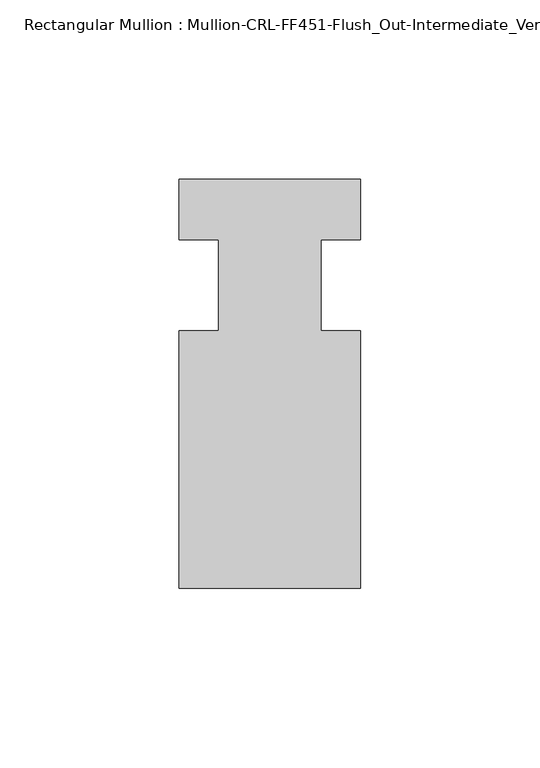
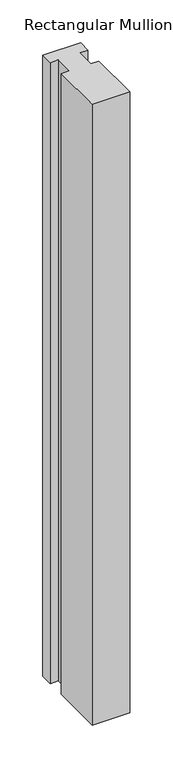
"""IFC4 building model written with IfcOpenShell, lengths in millimetres: member geometry, Rectangular Mullion : Mullion-CRL-FF451-Flush_Out-Intermediate_Vertical."""

from ifc_helpers import new_model, si_unit, frame, origin, place, context, project, spatial, polyline, outline, extrude, source, transform, mapped, element, save


def rectangular_mullion_mullion_crl_ff451_flush_out_intermediate_7e8a150b(model_context):
    return source(origin(), model_context, "Body", "SweptSolid", [
        extrude(outline(polyline([(25.4, -12.7), (25.4, -84.6364193), (-25.4, -84.6364193), (-25.4, -12.7), (-14.2875, -12.7), (-14.2875, 12.7), (-25.4, 12.7), (-25.4, 29.6635807), (25.4, 29.6635807), (25.4, 12.7), (14.2875, 12.7), (14.2875, -12.7), (25.4, -12.7)])), frame((0.0, 0.0, -882.65), z_axis=(0.0, 0.0, 1.0), x_axis=(1.0, 0.0, 0.0)), (0.0, 0.0, 1.0), 882.65),
    ])


if __name__ == "__main__":
    model = new_model("IFC4")
    model_context = context("Model", 3, world=origin())
    ifc_project = project(units=[si_unit("LENGTHUNIT", "METRE", prefix="MILLI")], contexts=[model_context])
    site = spatial("IfcSite", under=ifc_project)
    building = spatial("IfcBuilding", under=site)
    placement = place(None, origin())
    rectangular_mullion_mullion_crl_ff451_flush_out_intermediate_shape = rectangular_mullion_mullion_crl_ff451_flush_out_intermediate_7e8a150b(model_context)
    element("IfcMember", 1, ObjectType="Rectangular Mullion : Mullion-CRL-FF451-Flush_Out-Intermediate_Vertical", at=placement, inside=building, context=model_context, shape_type="MappedRepresentation", body=[
        mapped(rectangular_mullion_mullion_crl_ff451_flush_out_intermediate_shape, transform((0.0, 0.0, 0.0), x_axis=(1.0, 0.0, 0.0), y_axis=(0.0, 1.0, 0.0), z_axis=(0.0, 0.0, 1.0))),
    ])
    save(model, "model.ifc")
